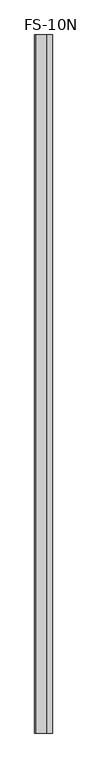
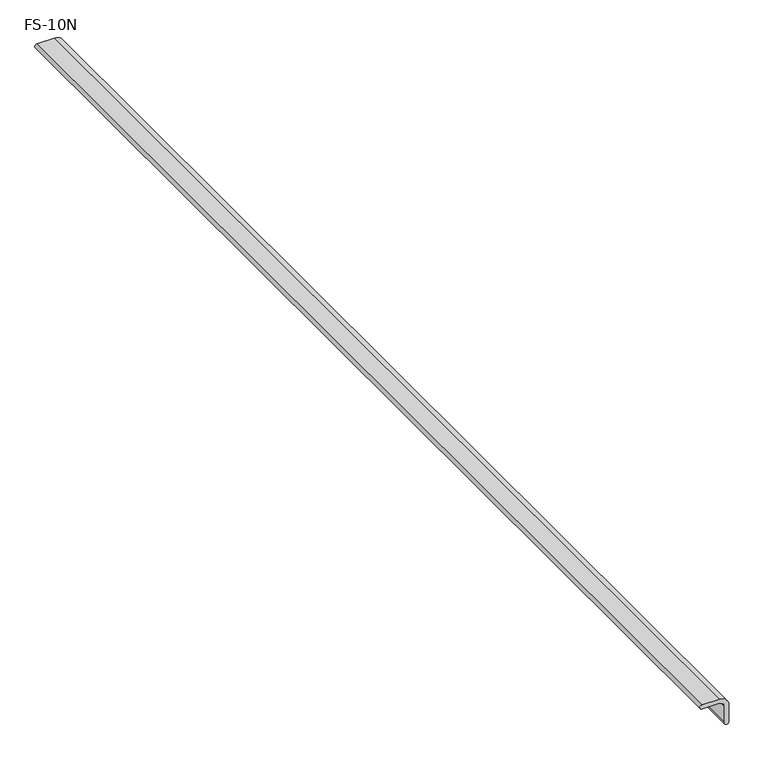
"""IFC4 building model written with IfcOpenShell, lengths in millimetres: proxy geometry, FS-10N."""

from ifc_helpers import new_model, si_unit, point, frame, frame_2d, origin, place, context, project, spatial, polyline, circle_curve, trimmed, segment, composite_curve, outline, extrude, source, transform, mapped, element, save


def fs_10n_401253f5(model_context):
    return source(origin(), model_context, "Body", "SweptSolid", [
        extrude(outline(composite_curve([segment(trimmed(circle_curve(frame_2d((-1.6914847, -65.6767471)), 6.1281816), [point((4.4366812, -65.6628821))], [point((-7.4695688, -67.718402))], False, "CARTESIAN"), True, "CONTINUOUS"), segment(polyline([(-7.4695688, -67.718402), (-7.4695688, -20.575011)]), True, "CONTINUOUS"), segment(trimmed(circle_curve(frame_2d((-20.5402875, -20.5399095)), 13.0707659), [point((-7.4695688, -20.575011))], [point((-20.6457149, -7.4695688))], True, "CARTESIAN"), True, "CONTINUOUS"), segment(polyline([(-20.6457149, -7.4695688), (-63.6350922, -7.4695688)]), True, "CONTINUOUS"), segment(trimmed(circle_curve(frame_2d((-65.6767471, -1.6914847)), 6.1281816), [point((-63.6350922, -7.4695688))], [point((-65.6906114, 4.4366812))], False, "CARTESIAN"), True, "CONTINUOUS"), segment(polyline([(-65.6906114, 4.4366812), (-20.6860262, 4.4366812)]), True, "CONTINUOUS"), segment(trimmed(circle_curve(frame_2d((-20.5402875, -20.5399095)), 24.9770159), [point((-20.6860262, 4.4366812))], [point((4.4366812, -20.5884323))], False, "CARTESIAN"), True, "CONTINUOUS"), segment(polyline([(4.4366812, -20.5884323), (4.4366812, -65.6628821)]), True, "CONTINUOUS")], self_intersect=False)), frame((0.0, -1141.4125, 0.0), z_axis=(0.0, 1.0, 0.0), x_axis=(0.0, 0.0, 1.0)), (0.0, 0.0, 1.0), 3021.0125),
    ])


if __name__ == "__main__":
    model = new_model("IFC4")
    model_context = context("Model", 3, world=origin())
    ifc_project = project(units=[si_unit("LENGTHUNIT", "METRE", prefix="MILLI")], contexts=[model_context])
    site = spatial("IfcSite", under=ifc_project)
    building = spatial("IfcBuilding", under=site)
    placement = place(None, origin())
    fs_10n_shape = fs_10n_401253f5(model_context)
    element("IfcBuildingElementProxy", 1, Name="FS-10N", ObjectType="FS-10N", at=placement, inside=building, context=model_context, shape_type="MappedRepresentation", body=[
        mapped(fs_10n_shape, transform((0.0, 0.0, 0.0), x_axis=(1.0, 0.0, 0.0), y_axis=(0.0, 1.0, 0.0), z_axis=(0.0, 0.0, 1.0))),
    ])
    save(model, "model.ifc")
